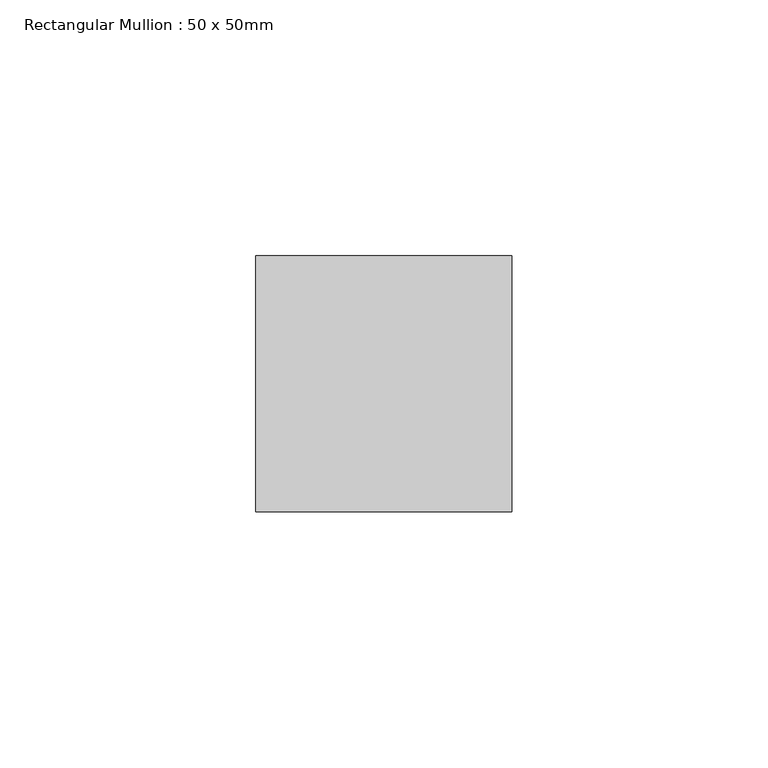
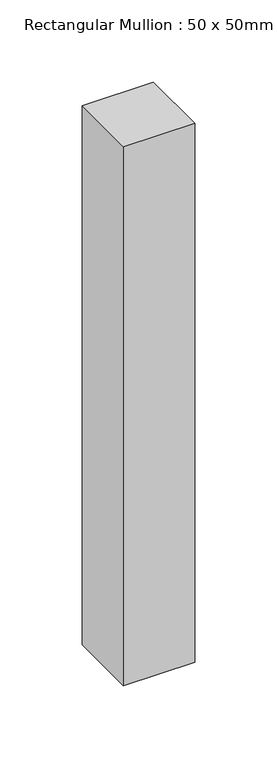
"""IFC4 building model written with IfcOpenShell, lengths in millimetres: member geometry, Rectangular Mullion : 50 x 50mm."""

from ifc_helpers import new_model, si_unit, frame, origin, place, context, project, spatial, polyline, outline, extrude, source, transform, mapped, element, save


def rectangular_mullion_50_x_50mm_4ce6860e(model_context):
    return source(origin(), model_context, "Body", "SweptSolid", [
        extrude(outline(polyline([(0.0, 50.0), (0.0, 0.0), (-50.0, 0.0), (-50.0, 50.0), (0.0, 50.0)])), frame((0.0, 0.0, -400.0), z_axis=(0.0, 0.0, 1.0), x_axis=(1.0, 0.0, 0.0)), (0.0, 0.0, 1.0), 400.0),
    ])


if __name__ == "__main__":
    model = new_model("IFC4")
    model_context = context("Model", 3, world=origin())
    ifc_project = project(units=[si_unit("LENGTHUNIT", "METRE", prefix="MILLI")], contexts=[model_context])
    site = spatial("IfcSite", under=ifc_project)
    building = spatial("IfcBuilding", under=site)
    placement = place(None, origin())
    rectangular_mullion_50_x_50mm_shape = rectangular_mullion_50_x_50mm_4ce6860e(model_context)
    element("IfcMember", 1, ObjectType="Rectangular Mullion : 50 x 50mm", at=placement, inside=building, context=model_context, shape_type="MappedRepresentation", body=[
        mapped(rectangular_mullion_50_x_50mm_shape, transform((0.0, 0.0, 0.0), x_axis=(1.0, 0.0, 0.0), y_axis=(0.0, 1.0, 0.0), z_axis=(0.0, 0.0, 1.0))),
    ])
    save(model, "model.ifc")
